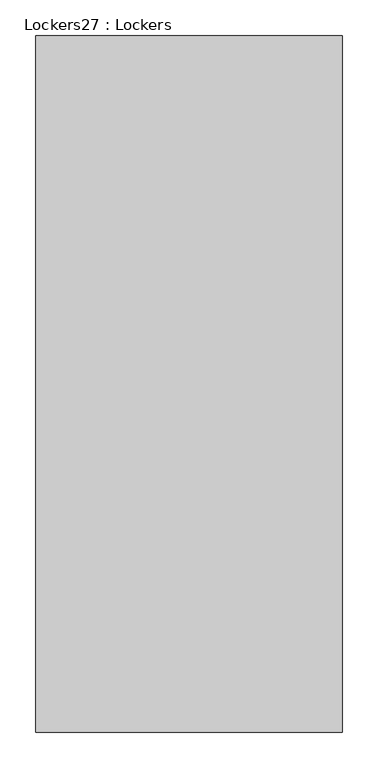
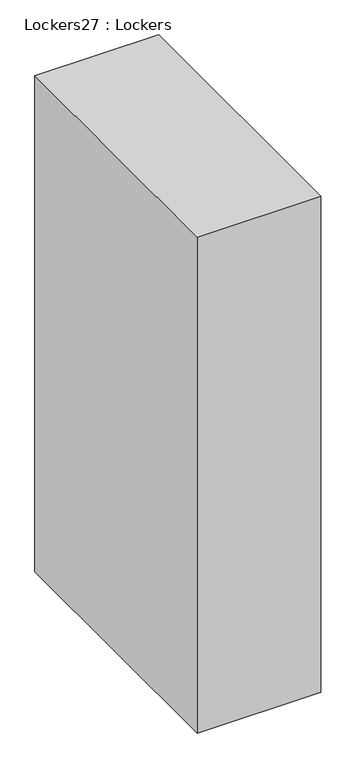
"""IFC4 building model written with IfcOpenShell, lengths in millimetres: furniture geometry, Lockers27 : Lockers."""

from ifc_helpers import new_model, si_unit, origin, origin_with_axes, place, context, project, spatial, polyline, outline, extrude, source, transform, mapped, element, save


def lockers27_lockers_fe22192b(model_context):
    return source(origin(), model_context, "Body", "SweptSolid", [
        extrude(outline(polyline([(-416495.2141271, -27242.6110157), (-416495.2141271, -28222.8368178), (-416927.0141271, -28222.8368178), (-416927.0141271, -27242.6110157), (-416495.2141271, -27242.6110157)])), origin_with_axes(), (0.0, 0.0, 1.0), 1828.8),
    ])


if __name__ == "__main__":
    model = new_model("IFC4")
    model_context = context("Model", 3, world=origin())
    ifc_project = project(units=[si_unit("LENGTHUNIT", "METRE", prefix="MILLI")], contexts=[model_context])
    site = spatial("IfcSite", under=ifc_project)
    building = spatial("IfcBuilding", under=site)
    placement = place(None, origin())
    lockers27_lockers_shape = lockers27_lockers_fe22192b(model_context)
    element("IfcFurniture", 1, ObjectType="Lockers27 : Lockers", at=placement, inside=building, context=model_context, shape_type="MappedRepresentation", body=[
        mapped(lockers27_lockers_shape, transform((0.0, 0.0, 0.0), x_axis=(1.0, 0.0, 0.0), y_axis=(0.0, 1.0, 0.0), z_axis=(0.0, 0.0, 1.0))),
    ])
    save(model, "model.ifc")
